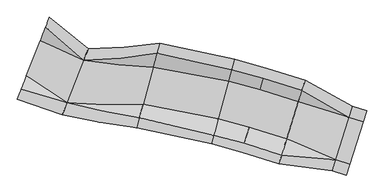
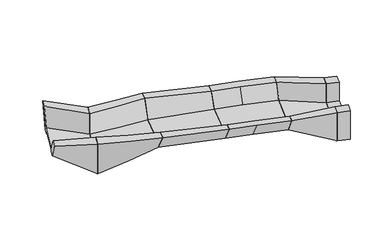
"""IFC4 building model written with IfcOpenShell, lengths in millimetres: geographic element geometry."""

from ifc_helpers import new_model, si_unit, frame, origin, place, context, project, spatial, faceted_brep, source, transform, mapped, element, save
from ifc_brep_helpers import plane_surface, spline_curve, spline_surface, advanced_brep


def geographic_element_1e2bfb6e(model_context):
    return source(origin(), model_context, "Body", "SolidModel", [
        advanced_brep(
        [(-621603.557136, 348837.0576512, 36776.4663834), (-622252.1435827, 347180.2869586, 34376.8880954), (-622551.1846194, 346416.406634, 34377.9203071), (-622615.1941493, 346252.8985716, 34726.4663832), (-623607.5720528, 343717.9355995, 34726.4663832), (-623671.5815828, 343554.427537, 34377.9203068), (-623970.6226195, 342790.5472123, 34376.8880951), (-624619.2090663, 341133.7765194, 36776.4663831), (-624259.5918903, 342052.3945399, 36776.466383), (-623767.465326, 343309.498929, 34976.4663832), (-622455.3008764, 346661.3352416, 34976.4663832), (-621963.1743121, 347918.4396305, 36776.4663833), (-617933.0673217, 345897.5242127, 36465.4647244), (-618370.4842842, 344780.171842, 36465.464725), (-618370.4842846, 344780.1718409, 33915.4647308), (-619937.8950661, 340776.3258474, 33915.4647308), (-619937.8950661, 340776.3258476, 36465.464726), (-620375.3120285, 339658.9734768, 36465.4647259), (-620375.3120286, 339658.9734767, 32715.464731), (-619828.5408255, 341055.6639401, 32715.4647308), (-619828.5408255, 341055.6639401, 33665.4647308), (-618479.8385252, 344500.8337481, 33665.4647308), (-618479.8385253, 344500.833748, 32715.46473), (-617933.0673222, 345897.5242114, 32715.4647295)],
        [
            (0, 1),
            (1, 2),
            (2, 3),
            (3, 4),
            (4, 5),
            (5, 6),
            (6, 7),
            (7, 8),
            (8, 9),
            (9, 10),
            (10, 11),
            (11, 0),
            (12, 13),
            (13, 14),
            (14, 15),
            (15, 16),
            (16, 17),
            (17, 18),
            (18, 19),
            (19, 20),
            (20, 21),
            (21, 22),
            (22, 23),
            (23, 12),
            (23, 1),
            (0, 12),
            (22, 2),
            (21, 3),
            (20, 4),
            (19, 5),
            (18, 6),
            (17, 7),
            (16, 8),
            (15, 9),
            (14, 10),
            (13, 11),
        ],
        [
            plane_surface(frame((-623111.3831011, 344985.4170854, 35335.1123225), z_axis=(-0.9311884362586751, 0.36453819577394625, 0.0), x_axis=(0.21872291749214823, 0.5587130618262496, -0.7999999999427878))),
            plane_surface(frame((-619154.1896753, 342778.2488443, 34323.7980622), z_axis=(0.9311884362586732, -0.36453819577395036, 0.0), x_axis=(-1.429693302273351e-10, -3.652190406909814e-10, -1.0))),
            spline_surface(1, 1, [[(-617933.0673217, 345897.5242127, 36465.4647244), (-621603.557136, 348837.0576512, 36776.4663834)], [(-617933.0673222, 345897.5242114, 32715.4647295), (-622252.1435827, 347180.2869586, 34376.8880954)]], [2, 2], [2, 2], [0.0, 1.0], [0.0, 1.0]),
            spline_surface(1, 1, [[(-617933.0673222, 345897.5242114, 32715.4647295), (-622252.1435827, 347180.2869586, 34376.8880954)], [(-618479.8385253, 344500.833748, 32715.46473), (-622551.1846194, 346416.406634, 34377.9203071)]], [2, 2], [2, 2], [0.0, 1.0], [0.0, 1.0]),
            spline_surface(1, 1, [[(-618479.8385253, 344500.833748, 32715.46473), (-622551.1846194, 346416.406634, 34377.9203071)], [(-618479.8385252, 344500.8337481, 33665.4647308), (-622615.1941493, 346252.8985716, 34726.4663832)]], [2, 2], [2, 2], [0.0, 1.0], [0.0, 1.0]),
            plane_surface(frame((-619154.1896754, 342778.2488441, 33665.4647308), z_axis=(-0.21416827039075917, 0.08384180026327728, -0.9731919155472075), x_axis=(-0.36453819577394336, -0.9311884362586759, 0.0))),
            spline_surface(1, 1, [[(-619828.5408255, 341055.6639401, 33665.4647308), (-623607.5720528, 343717.9355995, 34726.4663832)], [(-619828.5408255, 341055.6639401, 32715.4647308), (-623671.5815828, 343554.427537, 34377.9203068)]], [2, 2], [2, 2], [0.0, 1.0], [0.0, 1.0]),
            spline_surface(1, 1, [[(-619828.5408255, 341055.6639401, 32715.4647308), (-623671.5815828, 343554.427537, 34377.9203068)], [(-620375.3120286, 339658.9734767, 32715.464731), (-623970.6226195, 342790.5472123, 34376.8880951)]], [2, 2], [2, 2], [0.0, 1.0], [0.0, 1.0]),
            spline_surface(1, 1, [[(-620375.3120286, 339658.9734767, 32715.464731), (-623970.6226195, 342790.5472123, 34376.8880951)], [(-620375.3120285, 339658.9734768, 36465.4647259), (-624619.2090663, 341133.7765194, 36776.4663831)]], [2, 2], [2, 2], [0.0, 1.0], [0.0, 1.0]),
            spline_surface(1, 1, [[(-620375.3120285, 339658.9734768, 36465.4647259), (-624619.2090663, 341133.7765194, 36776.4663831)], [(-619937.8950661, 340776.3258476, 36465.464726), (-624259.5918903, 342052.3945399, 36776.466383)]], [2, 2], [2, 2], [0.0, 1.0], [0.0, 1.0]),
            spline_surface(1, 1, [[(-619937.8950661, 340776.3258476, 36465.464726), (-624259.5918903, 342052.3945399, 36776.466383)], [(-619937.8950661, 340776.3258474, 33915.4647308), (-623767.465326, 343309.498929, 34976.4663832)]], [2, 2], [2, 2], [0.0, 1.0], [0.0, 1.0]),
            plane_surface(frame((-619154.1896754, 342778.2488441, 33915.4647308), z_axis=(0.2141682703907662, -0.08384180026328003, 0.9731919155472061), x_axis=(0.3645381957739434, 0.931188436258676, 0.0))),
            spline_surface(1, 1, [[(-618370.4842846, 344780.1718409, 33915.4647308), (-622455.3008764, 346661.3352416, 34976.4663832)], [(-618370.4842842, 344780.171842, 36465.464725), (-621963.1743121, 347918.4396305, 36776.4663833)]], [2, 2], [2, 2], [0.0, 1.0], [0.0, 1.0]),
            spline_surface(1, 1, [[(-618370.4842842, 344780.171842, 36465.464725), (-621963.1743121, 347918.4396305, 36776.4663833)], [(-617933.0673217, 345897.5242127, 36465.4647244), (-621603.557136, 348837.0576512, 36776.4663834)]], [2, 2], [2, 2], [0.0, 1.0], [0.0, 1.0]),
        ],
        [
            (0, [[1, 2, 3, 4, 5, 6, 7, 8, 9, 10, 11, 12]]),
            (1, [[13, 14, 15, 16, 17, 18, 19, 20, 21, 22, 23, 24]]),
            (2, [[-24, 25, -1, 26]]),
            (3, [[-23, 27, -2, -25]]),
            (4, [[-22, 28, -3, -27]]),
            (5, [[-21, 29, -4, -28]]),
            (6, [[-20, 30, -5, -29]]),
            (7, [[-19, 31, -6, -30]]),
            (8, [[-18, 32, -7, -31]]),
            (9, [[-17, 33, -8, -32]]),
            (10, [[-16, 34, -9, -33]]),
            (11, [[-15, 35, -10, -34]]),
            (12, [[-14, 36, -11, -35]]),
            (13, [[-13, -26, -12, -36]]),
        ],
    ),
        advanced_brep(
        [(-617933.0145539, 345897.6590045, 36465.4647244), (-617933.0145545, 345897.6590031, 32715.4647295), (-618479.8093849, 344500.9081852, 32715.46473), (-618479.8093848, 344500.9081854, 33665.4647308), (-619828.5699659, 341055.5895028, 33665.4647308), (-619828.5699659, 341055.5895028, 32715.4647308), (-620375.3647964, 339658.8386849, 32715.464731), (-620375.3647963, 339658.8386851, 36465.4647259), (-619937.928932, 340776.2393394, 36465.464726), (-619937.928932, 340776.2393392, 33915.4647308), (-618370.4504187, 344780.258349, 33915.4647308), (-618370.4504183, 344780.2583501, 36465.464725), (-611186.7576767, 346389.4047206, 35586.6066732), (-611446.017678, 345437.7902349, 35586.6066733), (-611800.8081111, 344135.5310587, 33786.6066733), (-612746.9159327, 340662.8399233, 33786.6066733), (-613101.7063657, 339360.5807474, 35586.6066733), (-613360.966367, 338408.9662617, 35586.6066733), (-612893.3787929, 340125.247627, 33187.0283854), (-612677.7901484, 340916.5662882, 33188.0605972), (-612631.6435461, 341085.9475079, 33536.6066733), (-611916.0804977, 343712.4234743, 33536.6066733), (-611869.9338953, 343881.8046942, 33188.0605972), (-611654.3452509, 344673.1233551, 33187.0283853)],
        [
            (0, 1),
            (1, 2),
            (2, 3),
            (3, 4),
            (4, 5),
            (5, 6),
            (6, 7),
            (7, 8),
            (8, 9),
            (9, 10),
            (10, 11),
            (11, 0),
            (12, 13),
            (13, 14),
            (14, 15),
            (15, 16),
            (16, 17),
            (17, 18),
            (18, 19),
            (19, 20),
            (20, 21),
            (21, 22),
            (22, 23),
            (23, 12),
            (23, 1, spline_curve(3, [(-611654.3452509, 344673.1233551, 33187.0283853), (-612703.769336913, 344818.925503298, 33108.43444251), (-613752.78298775, 344993.798399678, 33029.84050019), (-615846.75539805, 345401.926703122, 32872.65261461), (-616891.714157371, 345635.182110393, 32794.05867229), (-617933.0145545, 345897.6590031, 32715.4647295)], [4, 2, 4], [0.0, 10.709614098386908, 21.419228196773872])),
            (0, 12, spline_curve(3, [(-617933.0145539, 345897.6590045, 36465.4647244), (-616783.638505914, 345911.254133129, 36318.988382434), (-615645.401780274, 345959.863580131, 36172.512040766), (-613395.314066526, 346124.641330669, 35879.559356834), (-612283.463078597, 346240.809633918, 35733.083015166), (-611186.7576767, 346389.4047206, 35586.6066732)], [4, 2, 4], [0.0, 10.709614098386965, 21.419228196773872])),
            (22, 2, spline_curve(3, [(-611869.9338953, 343881.8046942, 33188.0605972), (-612963.272046332, 343922.140442071, 33109.294619511), (-614061.956028955, 343993.521975721, 33030.528641289), (-616266.451428245, 344199.537191679, 32872.996685911), (-617372.262844413, 344334.170873486, 32794.230707689), (-618479.8093849, 344500.9081852, 32715.46473)], [4, 2, 4], [0.0, 10.711733076231553, 21.423466152463163])),
            (21, 3, spline_curve(3, [(-611916.0804977, 343712.4234743, 33536.6066733), (-613004.752416534, 343781.813527679, 33558.083016045), (-614097.234930734, 343881.918156814, 33579.559359355), (-616286.323182466, 344144.473942386, 33622.512044845), (-617382.928919376, 344306.925098865, 33643.988388055), (-618479.8093848, 344500.9081854, 33665.4647308)], [4, 2, 4], [0.0, 10.875277812437446, 21.75055562487495])),
            (20, 4, spline_curve(3, [(-612631.6435461, 341085.9475079, 33536.6066733), (-613810.053669514, 341010.895174434, 33558.083016197), (-615000.359137689, 340970.110140635, 33579.559359203), (-617400.712168911, 340959.291759165, 33622.512044997), (-618610.759731957, 340989.258411207, 33643.988387903), (-619828.5699659, 341055.5895028, 33665.4647308)], [4, 2, 4], [0.0, 11.3103019410471, 22.620603882094258])),
            (19, 5, spline_curve(3, [(-612677.7901484, 340916.5662882, 33188.0605972), (-613851.534040068, 340870.568259898, 33109.294619378), (-615035.638039656, 340858.506321526, 33030.528641822), (-617420.583922944, 340904.228510074, 32872.996686178), (-618621.425806754, 340962.012636382, 32794.230708622), (-619828.5699659, 341055.5895028, 32715.4647308)], [4, 2, 4], [0.0, 11.776850732574417, 23.553701465148833])),
            (18, 6, spline_curve(3, [(-612893.3787929, 340125.247627, 33187.0283854), (-614111.036749527, 339973.783198493, 33108.434443161), (-615344.811081014, 339858.229897854, 33029.840500439), (-617840.279953186, 339701.838998146, 32872.652615961), (-619101.974493921, 339661.00139938, 32794.058673239), (-620375.3647964, 339658.8386849, 32715.464731)], [4, 2, 4], [0.0, 12.035214910796412, 24.07042982159294])),
            (17, 7, spline_curve(3, [(-613360.966367, 338408.9662617, 35586.6066733), (-614531.343007452, 338551.899068074, 35733.083015283), (-615702.280001901, 338727.38696728, 35879.559357617), (-618041.633570699, 339143.90212252, 36172.512041583), (-619210.050145284, 339384.929378412, 36318.988383917), (-620375.3647963, 339658.8386851, 36465.4647259)], [4, 2, 4], [0.0, 11.916993883005944, 23.833987766011944])),
            (16, 8, spline_curve(3, [(-613101.7063657, 339360.5807474, 35586.6066733), (-614245.727655032, 339533.243504846, 35733.083015276), (-615388.591643246, 339737.504240076, 35879.559357724), (-617668.503434354, 340209.372581524, 36172.512041676), (-618805.551237926, 340476.980187511, 36318.988384024), (-619937.928932, 340776.2393394, 36465.464726)], [4, 2, 4], [0.0, 11.663363882324404, 23.326727764648865])),
            (15, 9, spline_curve(3, [(-612746.9159327, 340662.8399233, 33786.6066733), (-613926.812766003, 340612.123514483, 33808.083016405), (-615117.355707234, 340595.551534968, 33829.559358995), (-617515.722776765, 340632.717162632, 33872.512045205), (-618723.546905103, 340686.454770337, 33893.988387695), (-619937.928932, 340776.2393392, 33915.4647308)], [4, 2, 4], [0.0, 11.607377646304144, 23.214755292608345])),
            (14, 10, spline_curve(3, [(-611800.8081111, 344135.5310587, 33786.6066733), (-612887.993320281, 344180.585187284, 33808.083016197), (-613980.238361265, 344256.47676265, 33829.559359203), (-616171.312574735, 344471.04853855, 33872.512044997), (-617270.141746288, 344609.728739562, 33893.988387903), (-618370.4504187, 344780.258349, 33915.4647308)], [4, 2, 4], [0.0, 11.31030194101163, 22.620603882023374])),
            (13, 11, spline_curve(3, [(-611446.017678, 345437.7902349, 35586.6066733), (-612569.078430744, 345259.465197321, 35733.083015169), (-613709.002425254, 345114.524058088, 35879.559357331), (-616018.531916546, 344894.393120912, 36172.512041069), (-617188.137413365, 344819.203323526, 36318.988383131), (-618370.4504183, 344780.2583501, 36465.464725)], [4, 2, 4], [0.0, 11.103539608377275, 22.207079216754664])),
        ],
        [
            plane_surface(frame((-619154.1896753, 342778.2488443, 34323.7980622), z_axis=(-0.931188436258674, 0.36453819577394825, 0.0), x_axis=(-3.1021509985648306e-11, -7.9280617349966e-11, -1.0))),
            plane_surface(frame((-612273.8620219, 342399.1854911, 34145.2526126), z_axis=(0.9648335923807332, -0.2628614445172387, 0.0), x_axis=(-0.15654028225688893, -0.5745814992366098, -0.803337563397818))),
            spline_surface(3, 3, [[(-611186.7576767, 346389.4047206, 35586.6066732), (-612283.463078422, 346240.809634027, 35733.083015067), (-613395.314066559, 346124.641330661, 35879.559356933), (-615645.401780241, 345959.863580139, 36172.512040667), (-616783.638505787, 345911.254133001, 36318.988382533), (-617933.0145539, 345897.6590045, 36465.4647244)], [(-611264.688939059, 346103.357826357, 35186.676958539), (-612353.514121475, 346003.828945566, 35295.641586324), (-613454.892225248, 345936.167492658, 35404.606214107), (-615678.96071139, 345866.874116803, 35622.535469676), (-616801.65111438, 345865.242129245, 35731.500097459), (-617933.014553989, 345897.659004272, 35840.464725244)], [(-611342.620201441, 345817.310932143, 34786.747243861), (-612423.56516455, 345766.848257134, 34858.200157563), (-613514.470368415, 345747.693703135, 34929.653071306), (-615712.519657947, 345773.884605005, 35072.558898711), (-616819.663723004, 345819.230125474, 35144.011812454), (-617933.014554111, 345897.659004028, 35215.464726156)], [(-611498.482726159, 345245.217143657, 33986.887814539), (-612563.667250656, 345292.886880211, 33983.317300076), (-613633.626685792, 345370.746027128, 33979.746785654), (-615779.637520245, 345587.905678332, 33972.605756729), (-616855.688940191, 345727.206117963, 33969.035242307), (-617933.014554289, 345897.659003572, 33965.464727844)], [(-611576.413988541, 344959.170249343, 33586.958099961), (-612633.718293732, 345055.90619168, 33545.875871416), (-613693.204829059, 345182.272237606, 33504.793642854), (-615813.196466903, 345494.916166534, 33422.629185763), (-616873.701548815, 345681.194114192, 33381.546957201), (-617933.014554411, 345897.659003328, 33340.464728656)], [(-611654.3452509, 344673.1233551, 33187.0283853), (-612703.769336784, 344818.925503218, 33108.434442672), (-613752.782987748, 344993.798399602, 33029.840500028), (-615846.755398052, 345401.926703198, 32872.652614772), (-616891.714157409, 345635.182110436, 32794.058672128), (-617933.0145545, 345897.6590031, 32715.4647295)]], [4, 2, 4], [4, 2, 4], [0.0, 5.25072601961788, 10.50145203923576], [0.0, 10.709614098386908, 21.419228196773872]),
            spline_surface(3, 3, [[(-611654.3452509, 344673.1233551, 33187.0283853), (-612703.769336784, 344818.925503218, 33108.434442672), (-613752.782987748, 344993.798399602, 33029.840500028), (-615846.755398052, 345401.926703198, 32872.652614772), (-616891.714157409, 345635.182110436, 32794.058672128), (-617933.0145545, 345897.6590031, 32715.4647295)], [(-611690.276691641, 344541.236911606, 33187.200420622), (-612747.019788358, 344669.461326357, 33108.577805455), (-613804.311825708, 344827.085668385, 33029.955190272), (-615916.704738674, 345201.528445184, 32872.709959938), (-616971.805605265, 345418.346904296, 32794.087344754), (-618024.147026239, 345664.867200115, 32715.464729587)], [(-611726.208132359, 344409.350468094, 33187.372455878), (-612790.27023991, 344519.99714948, 33108.721168171), (-613855.840670377, 344660.372918879, 33030.069880501), (-615986.654072441, 345001.130205352, 32872.767305089), (-617051.897053103, 345201.511698111, 32794.116017419), (-618115.279497961, 345432.075397085, 32715.464729713)], [(-611798.071013841, 344145.577581106, 33187.716526522), (-612876.771143058, 344221.068795758, 33109.007893738), (-613958.898346296, 344326.947456444, 33030.299260989), (-616126.552753686, 344600.333689325, 32872.88199542), (-617212.079948816, 344767.841285831, 32794.173362672), (-618297.544441439, 344966.491791115, 32715.464729887)], [(-611834.002454559, 344013.691137694, 33187.888561878), (-612920.02159461, 344071.604618981, 33109.151256554), (-614010.427191066, 344160.234707038, 33030.413951219), (-616196.502087552, 344399.935449593, 32872.939340571), (-617292.171396654, 344551.006079746, 32794.202035236), (-618388.676913161, 344733.699988185, 32715.464729913)], [(-611869.9338953, 343881.8046942, 33188.0605972), (-612963.272046184, 343922.14044212, 33109.294619337), (-614061.956029025, 343993.521975821, 33030.528641463), (-616266.451428175, 344199.537191579, 32872.996685737), (-617372.26284451, 344334.170873606, 32794.230707863), (-618479.8093849, 344500.9081852, 32715.46473)]], [4, 2, 4], [4, 2, 4], [0.0, 1.902991149449395, 3.80598229889879], [0.0, 10.711733076231553, 21.423466152463163]),
            spline_surface(3, 3, [[(-611869.9338953, 343881.8046942, 33188.0605972), (-612963.272046184, 343922.14044212, 33109.294619337), (-614061.956029025, 343993.521975821, 33030.528641463), (-616266.451428175, 344199.537191579, 32872.996685737), (-617372.26284451, 344334.170873606, 32794.230707863), (-618479.8093849, 344500.9081852, 32715.46473)], [(-611877.624995692, 343853.574490891, 33246.151609883), (-612970.185441248, 343898.752623033, 33184.092685485), (-614067.835846512, 343974.921337719, 33122.033761075), (-616269.763386684, 344190.359984982, 32997.915912279), (-617374.040523654, 344329.62991115, 32935.856987869), (-618479.809384888, 344500.908185232, 32873.798063471)], [(-611885.316096108, 343825.344287509, 33304.242622517), (-612977.098836335, 343875.364803873, 33258.890751583), (-614073.715662478, 343956.32070435, 33213.538880656), (-616273.075346725, 344181.182773549, 33122.835138789), (-617375.818202834, 344325.088948698, 33077.483267863), (-618479.809384912, 344500.908185268, 33032.131396929)], [(-611900.698296892, 343768.883880891, 33420.424647883), (-612990.925626462, 343828.5891657, 33408.486883879), (-614085.475297453, 343919.119428147, 33396.549119882), (-616279.699263744, 344162.828360354, 33372.673591873), (-617379.373561121, 344316.007023784, 33360.735827875), (-618479.809384888, 344500.908185332, 33348.798063871)], [(-611908.389397308, 343740.653677609, 33478.515660617), (-612997.839021549, 343805.20134664, 33483.284950077), (-614091.355113418, 343900.518794877, 33488.054239563), (-616283.011223785, 344153.651149022, 33497.592818483), (-617381.151240202, 344311.466061332, 33502.362107869), (-618479.809384812, 344500.908185368, 33507.131397329)], [(-611916.0804977, 343712.4234743, 33536.6066733), (-613004.752416613, 343781.813527553, 33558.083016225), (-614097.234930906, 343881.918156776, 33579.559359175), (-616286.323182294, 344144.473942424, 33622.512045025), (-617382.928919345, 344306.925098875, 33643.988387875), (-618479.8093848, 344500.9081854, 33665.4647308)]], [4, 2, 4], [4, 2, 4], [0.0, 1.074769743675189, 2.149539487350378], [0.0, 10.875277812437446, 21.75055562487495]),
            spline_surface(3, 3, [[(-611916.0804977, 343712.4234743, 33536.6066733), (-613004.752416613, 343781.813527553, 33558.083016225), (-614097.234930906, 343881.918156776, 33579.559359175), (-616286.323182294, 344144.473942424, 33622.512045025), (-617382.928919345, 344306.925098875, 33643.988387875), (-618479.8093848, 344500.9081854, 33665.4647308)], [(-612035.341005761, 343274.677479893, 33536.6066733), (-613138.969292101, 343319.993801998, 33558.083016225), (-614247.75562849, 343396.616829412, 33579.559359175), (-616472.054683621, 343613.610236577, 33622.512045025), (-617587.567388115, 343753.980650927, 33643.988387875), (-618704.602814984, 343926.688404973, 33665.4647308)], [(-612154.601513839, 342836.931485507, 33536.6066733), (-613273.186167607, 342858.174076466, 33558.083016225), (-614398.276336761, 342911.315476135, 33579.559359175), (-616657.786174329, 343082.746556676, 33622.512045025), (-617792.205856932, 343201.036202959, 33643.988387875), (-618929.396245216, 343352.468624527, 33665.4647308)], [(-612393.122529961, 341961.439496693, 33536.6066733), (-613541.619918583, 341934.534625357, 33558.083016225), (-614699.317731929, 341940.712821407, 33579.559359175), (-617029.249176982, 342021.019144982, 33622.512045025), (-618201.482794472, 342095.147307063, 33643.988387875), (-619378.983105584, 342204.029063673, 33665.4647308)], [(-612512.383038039, 341523.693502307, 33536.6066733), (-613675.836794088, 341472.714899825, 33558.083016225), (-614849.838440099, 341455.41146803, 33579.559359175), (-617214.98066759, 341490.155464981, 33622.512045025), (-618406.121263189, 341542.202859094, 33643.988387875), (-619603.776535716, 341629.809283227, 33665.4647308)], [(-612631.6435461, 341085.9475079, 33536.6066733), (-613810.053669577, 341010.89517427, 33558.083016225), (-615000.359137684, 340970.110140666, 33579.559359175), (-617400.712168916, 340959.291759134, 33622.512045025), (-618610.759731959, 340989.258411146, 33643.988387875), (-619828.5699659, 341055.5895028, 33665.4647308)]], [4, 2, 4], [4, 2, 4], [0.0, 5.267488388890219, 10.534976777780438], [0.0, 11.3103019410471, 22.620603882094258]),
            spline_surface(3, 3, [[(-612631.6435461, 341085.9475079, 33536.6066733), (-613810.053669577, 341010.89517427, 33558.083016225), (-615000.359137684, 340970.110140666, 33579.559359175), (-617400.712168916, 340959.291759134, 33622.512045025), (-618610.759731959, 340989.258411146, 33643.988387875), (-619828.5699659, 341055.5895028, 33665.4647308)], [(-612639.334646484, 341057.71730462, 33478.515660617), (-613816.967064635, 340987.507355202, 33483.2849501), (-615006.238955168, 340951.509502573, 33488.054239608), (-617404.02412743, 340950.114552524, 33497.592818574), (-618612.53741111, 340984.717448667, 33502.362107982), (-619828.5699659, 341055.5895028, 33507.131397465)], [(-612647.025746816, 341029.48710128, 33420.424647883), (-613823.88045964, 340964.119536073, 33408.486883924), (-615012.118771129, 340932.908869317, 33396.549119968), (-617407.336087473, 340940.937341185, 33372.67359205), (-618614.315090261, 340980.176486189, 33360.735828094), (-619828.5699659, 341055.5895028, 33348.798064135)], [(-612662.407947584, 340973.02669472, 33304.242622517), (-613837.707249756, 340917.343897938, 33258.890751674), (-615023.878406098, 340895.707593131, 33213.538880834), (-617413.9600045, 340922.582927966, 33122.835139148), (-618617.870448564, 340971.094561231, 33077.483268308), (-619828.5699659, 341055.5895028, 33032.131397465)], [(-612670.099048016, 340944.79649148, 33246.151609883), (-613844.620644861, 340893.956078908, 33184.092685598), (-615029.758222059, 340877.106959776, 33122.033761294), (-617417.271964543, 340913.405716527, 32997.915912724), (-618619.648127715, 340966.553598752, 32935.85698842), (-619828.5699659, 341055.5895028, 32873.798064135)], [(-612677.7901484, 340916.5662882, 33188.0605972), (-613851.534039919, 340870.56825984, 33109.294619473), (-615035.638039544, 340858.506321682, 33030.528641727), (-617420.583923056, 340904.228509918, 32872.996686273), (-618621.425806866, 340962.012636274, 32794.230708527), (-619828.5699659, 341055.5895028, 32715.4647308)]], [4, 2, 4], [4, 2, 4], [0.0, 1.074769743015559, 2.149539486031118], [0.0, 11.776850732574417, 23.553701465148833]),
            spline_surface(3, 3, [[(-612677.7901484, 340916.5662882, 33188.0605972), (-613851.534039919, 340870.56825984, 33109.294619473), (-615035.638039544, 340858.506321682, 33030.528641727), (-617420.583923056, 340904.228509918, 32872.996686273), (-618621.425806866, 340962.012636274, 32794.230708527), (-619828.5699659, 341055.5895028, 32715.4647308)], [(-612713.72158915, 340784.679844669, 33187.888561897), (-613894.784491502, 340721.10408295, 33109.151256725), (-615087.16687751, 340691.793590441, 33030.413951535), (-617490.533263683, 340703.830251892, 32872.939341191), (-618701.517254725, 340745.177430128, 32794.202036001), (-619919.702437639, 340822.797699815, 32715.464730829)], [(-612749.65302985, 340652.793401131, 33187.716526603), (-613938.034943033, 340571.63990605, 33109.007893987), (-615138.69572227, 340525.080840964, 33030.299261353), (-617560.482597537, 340503.432012102, 32872.881996121), (-618781.608702666, 340528.342224037, 32794.173363487), (-620010.834909461, 340590.005896885, 32715.464730871)], [(-612821.51591135, 340389.020514069, 33187.372455997), (-614024.535846199, 340272.711552269, 33108.721168491), (-615241.753398204, 340191.655378483, 33030.069880969), (-617700.38127879, 340102.635496051, 32872.767305957), (-618941.791598382, 340094.671811746, 32794.116018435), (-620193.099852939, 340124.422290915, 32715.464730929)], [(-612857.44735215, 340257.134070531, 33187.200420703), (-614067.786297831, 340123.24737537, 33108.577805753), (-615293.282242963, 340024.942629006, 33029.955190787), (-617770.330612643, 339902.237256261, 32872.709960887), (-619021.883046223, 339877.836605555, 32794.087345921), (-620284.232324661, 339891.630487885, 32715.464730971)], [(-612893.3787929, 340125.247627, 33187.0283854), (-614111.036749413, 339973.783198479, 33108.434443005), (-615344.81108093, 339858.229897765, 33029.840500595), (-617840.27995327, 339701.838998235, 32872.652615805), (-619101.974494082, 339661.001399409, 32794.058673395), (-620375.3647964, 339658.8386849, 32715.464731)]], [4, 2, 4], [4, 2, 4], [0.0, 1.9029911496333818, 3.8059822992667636], [0.0, 12.035214910796412, 24.07042982159294]),
            spline_surface(3, 3, [[(-612893.3787929, 340125.247627, 33187.0283854), (-614111.036749413, 339973.783198479, 33108.434443005), (-615344.81108093, 339858.229897765, 33029.840500595), (-617840.27995327, 339701.838998235, 32872.652615805), (-619101.974494082, 339661.001399409, 32794.058673395), (-620375.3647964, 339658.8386849, 32715.464731)], [(-612971.310055251, 339839.200732787, 33586.958100061), (-614181.087792447, 339736.802510086, 33545.875871748), (-615404.389239586, 339669.756059869, 33504.793643421), (-617873.838884356, 339608.849535082, 33422.629186796), (-619119.987102594, 339614.989395873, 33381.546958468), (-620375.364796389, 339658.838684927, 33340.464730156)], [(-613049.241317549, 339553.153838613, 33986.887814739), (-614251.138835428, 339499.821821734, 33983.317300509), (-615463.967382765, 339481.282270518, 33979.746786221), (-617907.397830893, 339515.860023531, 33972.605757762), (-619137.999711038, 339568.977392355, 33969.035243574), (-620375.364796311, 339658.838684973, 33965.464729344)], [(-613205.103842251, 338981.060050187, 34786.747244061), (-614391.240921494, 339025.860444949, 34858.200157996), (-615583.123700077, 339104.334594726, 34929.653071873), (-617974.515693065, 339329.881097224, 35072.558899744), (-619174.024928063, 339476.953385283, 35144.011813721), (-620375.364796289, 339658.838685027, 35215.464727656)], [(-613283.035104649, 338695.013155913, 35186.676958639), (-614461.291964575, 338788.879756496, 35295.641586657), (-615642.701843256, 338915.860805276, 35404.606214674), (-618008.074639603, 339236.891585574, 35622.535470709), (-619192.037536607, 339430.941381765, 35731.500098726), (-620375.364796311, 339658.838685073, 35840.464726744)], [(-613360.966367, 338408.9662617, 35586.6066733), (-614531.343007608, 338551.899068104, 35733.0830154), (-615702.280001912, 338727.38696738, 35879.5593575), (-618041.633570689, 339143.90212242, 36172.5120417), (-619210.05014512, 339384.929378229, 36318.9883838), (-620375.3647963, 339658.8386851, 36465.4647259)]], [4, 2, 4], [4, 2, 4], [0.0, 5.250726019200047, 10.501452038400094], [0.0, 11.916993883005944, 23.833987766011944]),
            spline_surface(3, 3, [[(-613360.966367, 338408.9662617, 35586.6066733), (-614531.343007608, 338551.899068104, 35733.0830154), (-615702.280001912, 338727.38696738, 35879.5593575), (-618041.633570689, 339143.90212242, 36172.5120417), (-619210.05014512, 339384.929378229, 36318.9883838), (-620375.3647963, 339658.8386851, 36465.4647259)], [(-613317.756366797, 338567.568675983, 35586.6066733), (-614483.740448875, 338715.456474246, 35733.083015402), (-615649.998609634, 338895.739844302, 35879.559357503), (-617979.445213791, 339321.480534123, 36172.512041707), (-619142.633660556, 339566.937846478, 36318.988383808), (-620302.458818907, 339845.072127492, 36465.46472591)], [(-613274.546366603, 338726.171090317, 35586.6066733), (-614436.137890151, 338879.013880439, 35733.083015404), (-615597.717214863, 339064.092726778, 35879.559357592), (-617917.256859512, 339499.058940198, 36172.512041799), (-619075.21717597, 339748.946314653, 36318.988383887), (-620229.552841493, 340031.305569808, 36465.46472599)], [(-613188.126366197, 339043.375918883, 35586.6066733), (-614340.932772686, 339206.128692723, 35733.083015407), (-615493.154430308, 339400.798480621, 35879.559357598), (-617792.880145718, 339854.215763603, 36172.512041812), (-618940.384206841, 340112.963251152, 36318.988383903), (-620083.740886707, 340403.772454592, 36465.46472601)], [(-613144.916365903, 339201.978333117, 35586.6066733), (-614293.330213861, 339369.686098816, 35733.083015408), (-615440.873035436, 339569.151363197, 35879.559357587), (-617730.691791338, 340031.794169778, 36172.512041804), (-618872.967722355, 340294.971719427, 36318.988383882), (-620010.834909393, 340590.005897008, 36465.46472599)], [(-613101.7063657, 339360.5807474, 35586.6066733), (-614245.727655128, 339533.243504959, 35733.08301541), (-615388.591643159, 339737.504240119, 35879.55935759), (-617668.503434441, 340209.372581481, 36172.51204181), (-618805.551237791, 340476.980187676, 36318.98838389), (-619937.928932, 340776.2393394, 36465.464726)]], [4, 2, 4], [4, 2, 4], [0.0, 1.7932018782659305, 3.586403756531861], [0.0, 11.663363882324404, 23.326727764648865]),
            spline_surface(3, 3, [[(-613101.7063657, 339360.5807474, 35586.6066733), (-614245.727655128, 339533.243504959, 35733.08301541), (-615388.591643159, 339737.504240119, 35879.55935759), (-617668.503434441, 340209.372581481, 36172.51204181), (-618805.551237791, 340476.980187676, 36318.98838389), (-619937.928932, 340776.2393394, 36465.464726)], [(-613042.574626851, 339577.623943379, 35286.606673292), (-614192.575173598, 339713.056839883, 35412.249682205), (-615343.385649923, 339880.512134844, 35537.892691187), (-617643.039995393, 340279.929999446, 35789.178709012), (-618791.88384899, 340511.89261812, 35914.821717895), (-619937.928932013, 340776.239339366, 36040.464726807)], [(-612983.442888049, 339794.667139421, 34986.606673308), (-614139.422692116, 339892.870174871, 35091.416349023), (-615298.179668447, 340023.519992755, 35196.226024785), (-617617.576544636, 340350.487454155, 35405.845376215), (-618778.216460151, 340546.805048564, 35510.655051878), (-619937.928931987, 340776.239339334, 35615.464727593)], [(-612865.179410351, 340228.753531379, 34386.606673292), (-614033.117729056, 340252.496844721, 34449.749682612), (-615207.767681976, 340309.535782205, 34512.89269198), (-617566.649666541, 340491.602290086, 34639.17871062), (-618750.88168255, 340616.629909451, 34702.321719887), (-619937.928932013, 340776.239339266, 34765.464729207)], [(-612806.047671549, 340445.796727321, 34086.606673308), (-613979.965247574, 340432.310179609, 34128.91634943), (-615162.5617005, 340452.543640116, 34171.226025578), (-617541.186215784, 340562.159744794, 34255.845377823), (-618737.214293711, 340651.542339895, 34298.15505387), (-619937.928931987, 340776.239339234, 34340.464729993)], [(-612746.9159327, 340662.8399233, 33786.6066733), (-613926.812766044, 340612.123514533, 33808.083016225), (-615117.355707264, 340595.551534841, 33829.559359175), (-617515.722776736, 340632.717162759, 33872.512045025), (-618723.546904911, 340686.454770338, 33893.988387875), (-619937.928932, 340776.2393392, 33915.4647308)]], [4, 2, 4], [4, 2, 4], [0.0, 3.7357170020788772, 7.4714340041577545], [0.0, 11.607377646304144, 23.214755292608345]),
            spline_surface(3, 3, [[(-612746.9159327, 340662.8399233, 33786.6066733), (-613926.812766044, 340612.123514533, 33808.083016225), (-615117.355707264, 340595.551534841, 33829.559359175), (-617515.722776736, 340632.717162759, 33872.512045025), (-618723.546904911, 340686.454770338, 33893.988387875), (-619937.928932, 340776.2393392, 33915.4647308)], [(-612589.231295781, 341241.6217792, 33786.6066733), (-613753.67619174, 341206.867126632, 33808.083016225), (-614927.836152498, 341205.705733353, 33829.559359175), (-617291.65440685, 341272.439064838, 33872.512045025), (-618481.312711827, 341340.333765218, 33893.988387875), (-619676.682513117, 341443.575840828, 33915.4647308)], [(-612431.54665882, 341820.4036351, 33786.6066733), (-613580.539617395, 341801.61073873, 33808.083016225), (-614738.316589116, 341815.859950143, 33829.559359175), (-617067.586045537, 341912.160948666, 33872.512045025), (-618239.078518791, 341994.212760115, 33893.988387875), (-619415.436094283, 342110.912342472, 33915.4647308)], [(-612116.17738498, 342977.9673469, 33786.6066733), (-613234.266468789, 342991.097962927, 33808.083016225), (-614359.277479583, 343036.168347167, 33829.559359175), (-616619.449305765, 343191.604752824, 33872.512045025), (-617754.610132625, 343301.970749875, 33893.988387875), (-618892.943256518, 343445.585345728, 33915.4647308)], [(-611958.49274802, 343556.7492028, 33786.6066733), (-613061.129894444, 343585.841575024, 33808.083016225), (-614169.7579162, 343646.322563957, 33829.559359175), (-616395.380944452, 343831.326636652, 33872.512045025), (-617512.375939489, 343955.849744772, 33893.988387875), (-618631.696837583, 344112.921847372, 33915.4647308)], [(-611800.8081111, 344135.5310587, 33786.6066733), (-612887.99332014, 344180.585187123, 33808.083016225), (-613980.238361434, 344256.476762469, 33829.559359175), (-616171.312574566, 344471.048538731, 33872.512045025), (-617270.141746405, 344609.728739652, 33893.988387875), (-618370.4504187, 344780.258349, 33915.4647308)]], [4, 2, 4], [4, 2, 4], [0.0, 6.478975001342093, 12.957950002684186], [0.0, 11.31030194101163, 22.620603882023374]),
            spline_surface(3, 3, [[(-611800.8081111, 344135.5310587, 33786.6066733), (-612887.99332014, 344180.585187123, 33808.083016225), (-613980.238361434, 344256.476762469, 33829.559359175), (-616171.312574566, 344471.048538731, 33872.512045025), (-617270.141746405, 344609.728739652, 33893.988387875), (-618370.4504187, 344780.258349, 33915.4647308)], [(-611741.676372237, 344352.574254728, 34086.606673298), (-612834.840838588, 344360.398522127, 34128.916349395), (-613935.032368165, 344399.484657302, 34171.226025517), (-616145.849135461, 344541.605956863, 34255.84537771), (-617256.474357534, 344644.64117029, 34298.155053731), (-618370.450418626, 344780.258349188, 34340.464729828)], [(-611682.544633363, 344569.617450772, 34386.606673302), (-612781.688357023, 344540.211857146, 34449.74968257), (-613889.826386592, 344542.49251531, 34512.892691819), (-616120.385684582, 344612.163411725, 34639.178710355), (-617242.806968683, 344679.553600963, 34702.321719604), (-618370.450418574, 344780.258349412, 34765.464728872)], [(-611564.281155637, 345003.703842828, 34986.606673298), (-612675.383393918, 344899.838527154, 35091.41634891), (-613799.414400055, 344828.508304977, 35196.226024502), (-616069.458806371, 344753.278247988, 35405.845375724), (-617215.47219094, 344749.378462238, 35510.655051317), (-618370.450418426, 344780.258349788, 35615.464726928)], [(-611505.149416863, 345220.747038872, 35286.606673302), (-612622.230912454, 345079.651862173, 35412.249682085), (-613754.208418581, 344971.516163085, 35537.892690904), (-616043.995355593, 344823.83570295, 35789.17870847), (-617201.804802089, 344784.290892812, 35914.821717189), (-618370.450418374, 344780.258349912, 36040.464725972)], [(-611446.017678, 345437.7902349, 35586.6066733), (-612569.078430901, 345259.465197177, 35733.083015255), (-613709.002425313, 345114.524057918, 35879.559357245), (-616018.531916487, 344894.393121082, 36172.512041155), (-617188.137413217, 344819.203323449, 36318.988383045), (-618370.4504183, 344780.2583501, 36465.464725)]], [4, 2, 4], [4, 2, 4], [0.0, 3.735717001680206, 7.471434003360412], [0.0, 11.103539608377275, 22.207079216754664]),
            spline_surface(3, 3, [[(-611446.017678, 345437.7902349, 35586.6066733), (-612569.078430901, 345259.465197177, 35733.083015255), (-613709.002425313, 345114.524057918, 35879.559357245), (-616018.531916487, 344894.393121082, 36172.512041155), (-617188.137413217, 344819.203323449, 36318.988383045), (-618370.4504183, 344780.2583501, 36465.464725)], [(-611402.807677796, 345596.392649187, 35586.60667329), (-612521.475872168, 345423.022603322, 35733.08301523), (-613656.721033034, 345282.876934842, 35879.559357206), (-615956.34355959, 345071.971532786, 36172.512041087), (-617120.720928653, 345001.2117917, 36318.988382963), (-618297.544440907, 344966.491792492, 36465.464724903)], [(-611359.597677504, 345754.995063413, 35586.60667331), (-612473.873313345, 345586.580009406, 35733.083015235), (-613604.439638164, 345451.229817315, 35879.559357128), (-615894.155205212, 345249.549938856, 36172.512040979), (-617053.304444066, 345183.220259975, 36318.988382871), (-618224.638463493, 345152.725234908, 36465.464724797)], [(-611273.177677096, 346072.199891987, 35586.60667329), (-612378.668195878, 345913.694821698, 35733.083015187), (-613499.876853607, 345787.935571164, 35879.55935705), (-615769.778491416, 345604.706762265, 36172.512040843), (-616918.471474937, 345547.237196476, 36318.988382706), (-618078.826508707, 345525.192119692, 36465.464724603)], [(-611229.967676904, 346230.802306313, 35586.60667321), (-612331.065637156, 346077.252227882, 35733.083015092), (-613447.595458837, 345956.288453737, 35879.559356971), (-615707.590137139, 345782.285168435, 36172.512040735), (-616851.054990351, 345729.245664751, 36318.988382615), (-618005.920531293, 345711.425562108, 36465.464724497)], [(-611186.7576767, 346389.4047206, 35586.6066732), (-612283.463078422, 346240.809634027, 35733.083015067), (-613395.314066559, 346124.641330661, 35879.559356933), (-615645.401780241, 345959.863580139, 36172.512040667), (-616783.638505787, 345911.254133001, 36318.988382533), (-617933.0145539, 345897.6590045, 36465.4647244)]], [4, 2, 4], [4, 2, 4], [0.0, 1.7932018782870331, 3.5864037565740663], [0.0, 11.34966215709619, 22.699324314192438]),
        ],
        [
            (0, [[1, 2, 3, 4, 5, 6, 7, 8, 9, 10, 11, 12]]),
            (1, [[13, 14, 15, 16, 17, 18, 19, 20, 21, 22, 23, 24]]),
            (2, [[-24, 25, -1, 26]]),
            (3, [[-23, 27, -2, -25]]),
            (4, [[-22, 28, -3, -27]]),
            (5, [[-21, 29, -4, -28]]),
            (6, [[-20, 30, -5, -29]]),
            (7, [[-19, 31, -6, -30]]),
            (8, [[-18, 32, -7, -31]]),
            (9, [[-17, 33, -8, -32]]),
            (10, [[-16, 34, -9, -33]]),
            (11, [[-15, 35, -10, -34]]),
            (12, [[-14, 36, -11, -35]]),
            (13, [[-13, -26, -12, -36]]),
        ],
    ),
        advanced_brep(
        [(-611446.0112949, 345437.8136639, 35586.6066733), (-611186.7504543, 346389.4312304, 35586.6066732), (-611654.3395423, 344673.1443085, 33187.0283853), (-611869.9288847, 343881.8230857, 33188.0605972), (-611916.0756365, 343712.4413174, 33536.6066733), (-612631.6410015, 341085.9568478, 33536.6066733), (-612677.7877532, 340916.5750797, 33188.0605972), (-612893.3770956, 340125.2538567, 33187.0283854), (-613360.9661836, 338408.9669349, 35586.6066733), (-613101.705343, 339360.5845015, 35586.6066733), (-612746.9137613, 340662.8478934, 33786.6066733), (-611800.8028767, 344135.5502716, 33786.6066733), (-604383.8903732, 343920.4023044, 34935.5707394), (-604679.4051789, 342835.7144675, 33436.6066733), (-605650.8127494, 339270.1605398, 33436.6066733), (-606071.1186271, 337727.4267602, 35035.5707395), (-606294.6048061, 336907.1201786, 35035.5707396), (-605850.2175099, 338538.2448656, 32771.5374871), (-605625.648176, 339362.5271699, 32771.4262549), (-605571.0807302, 339562.8171166, 33186.6066733), (-604802.9564249, 342382.2193089, 33186.6066733), (-604761.6847136, 342533.7072287, 32771.4113082), (-604547.1939413, 343320.9961475, 32771.4113082), (-604123.9019769, 344874.690366, 34935.5707393)],
        [
            (0, 1),
            (1, 2),
            (2, 3),
            (3, 4),
            (4, 5),
            (5, 6),
            (6, 7),
            (7, 8),
            (8, 9),
            (9, 10),
            (10, 11),
            (11, 0),
            (12, 13),
            (13, 14),
            (14, 15),
            (15, 16),
            (16, 17),
            (17, 18),
            (18, 19),
            (19, 20),
            (20, 21),
            (21, 22),
            (22, 23),
            (23, 12),
            (23, 1),
            (0, 12),
            (22, 2),
            (21, 3),
            (20, 4),
            (19, 5),
            (18, 6),
            (17, 7),
            (16, 8),
            (15, 9),
            (14, 10),
            (13, 11),
        ],
        [
            plane_surface(frame((-612273.858319, 342399.1990826, 34145.2526126), z_axis=(-0.964833592380735, 0.2628614445172324, 0.0), x_axis=(-0.15654060931943478, -0.5745826997205806, -0.8033366410264811))),
            plane_surface(frame((-605196.8762673, 340936.3355378, 33689.5413341), z_axis=(0.9648335923807405, -0.26286144451721183, 0.0), x_axis=(0.26286144451721183, 0.9648335923807405, -5.88126392708392e-11))),
            plane_surface(frame((-604253.896175, 344397.5463352, 34935.5707393), z_axis=(0.08673633489802902, -0.023630643050463026, 0.9959510032714856), x_axis=(0.26286144451717264, 0.9648335923807512, -5.901464029671033e-11))),
            spline_surface(1, 1, [[(-604123.9019769, 344874.690366, 34935.5707393), (-611186.7504543, 346389.4312304, 35586.6066732)], [(-604547.1939413, 343320.9961475, 32771.4113082), (-611654.3395423, 344673.1443085, 33187.0283853)]], [2, 2], [2, 2], [0.0, 1.0], [0.0, 1.0]),
            spline_surface(1, 1, [[(-604547.1939413, 343320.9961475, 32771.4113082), (-611654.3395423, 344673.1443085, 33187.0283853)], [(-604761.6847136, 342533.7072287, 32771.4113082), (-611869.9288847, 343881.8230857, 33188.0605972)]], [2, 2], [2, 2], [0.0, 1.0], [0.0, 1.0]),
            spline_surface(1, 1, [[(-604761.6847136, 342533.7072287, 32771.4113082), (-611869.9288847, 343881.8230857, 33188.0605972)], [(-604802.9564249, 342382.2193089, 33186.6066733), (-611916.0756365, 343712.4413174, 33536.6066733)]], [2, 2], [2, 2], [0.0, 1.0], [0.0, 1.0]),
            plane_surface(frame((-605187.0185776, 340972.5182127, 33186.6066733), z_axis=(-0.04676440875817386, 0.012740601213764826, -0.9988246929037198), x_axis=(-0.26286144451721594, -0.9648335923807393, 0.0))),
            spline_surface(1, 1, [[(-605571.0807302, 339562.8171166, 33186.6066733), (-612631.6410015, 341085.9568478, 33536.6066733)], [(-605625.648176, 339362.5271699, 32771.4262549), (-612677.7877532, 340916.5750797, 33188.0605972)]], [2, 2], [2, 2], [0.0, 1.0], [0.0, 1.0]),
            spline_surface(1, 1, [[(-605625.648176, 339362.5271699, 32771.4262549), (-612677.7877532, 340916.5750797, 33188.0605972)], [(-605850.2175099, 338538.2448656, 32771.5374871), (-612893.3770956, 340125.2538567, 33187.0283854)]], [2, 2], [2, 2], [0.0, 1.0], [0.0, 1.0]),
            spline_surface(1, 1, [[(-605850.2175099, 338538.2448656, 32771.5374871), (-612893.3770956, 340125.2538567, 33187.0283854)], [(-606294.6048061, 336907.1201786, 35035.5707396), (-613360.9661836, 338408.9669349, 35586.6066733)]], [2, 2], [2, 2], [0.0, 1.0], [0.0, 1.0]),
            spline_surface(1, 1, [[(-606294.6048061, 336907.1201786, 35035.5707396), (-613360.9661836, 338408.9669349, 35586.6066733)], [(-606071.1186271, 337727.4267602, 35035.5707395), (-613101.705343, 339360.5845015, 35586.6066733)]], [2, 2], [2, 2], [0.0, 1.0], [0.0, 1.0]),
            spline_surface(1, 1, [[(-606071.1186271, 337727.4267602, 35035.5707395), (-613101.705343, 339360.5845015, 35586.6066733)], [(-605650.8127494, 339270.1605398, 33436.6066733), (-612746.9137613, 340662.8478934, 33786.6066733)]], [2, 2], [2, 2], [0.0, 1.0], [0.0, 1.0]),
            plane_surface(frame((-605165.1089642, 341052.9375037, 33436.6066733), z_axis=(0.04676440875817449, -0.012740601213764318, 0.9988246929037199), x_axis=(0.2628614445172029, 0.964833592380743, 0.0))),
            spline_surface(1, 1, [[(-604679.4051789, 342835.7144675, 33436.6066733), (-611800.8028767, 344135.5502716, 33786.6066733)], [(-604383.8903732, 343920.4023044, 34935.5707394), (-611446.0112949, 345437.8136639, 35586.6066733)]], [2, 2], [2, 2], [0.0, 1.0], [0.0, 1.0]),
        ],
        [
            (0, [[1, 2, 3, 4, 5, 6, 7, 8, 9, 10, 11, 12]]),
            (1, [[13, 14, 15, 16, 17, 18, 19, 20, 21, 22, 23, 24]]),
            (2, [[-24, 25, -1, 26]]),
            (3, [[-23, 27, -2, -25]]),
            (4, [[-22, 28, -3, -27]]),
            (5, [[-21, 29, -4, -28]]),
            (6, [[-20, 30, -5, -29]]),
            (7, [[-19, 31, -6, -30]]),
            (8, [[-18, 32, -7, -31]]),
            (9, [[-17, 33, -8, -32]]),
            (10, [[-16, 34, -9, -33]]),
            (11, [[-15, 35, -10, -34]]),
            (12, [[-14, 36, -11, -35]]),
            (13, [[-13, -26, -12, -36]]),
        ],
    ),
        faceted_brep([(-597467.9554025, 342909.9455523, 34935.5707393), (-597764.1799137, 341966.2768023, 34935.5707394), (-598100.8823595, 340893.659365, 33436.6066733), (-599207.6807278, 337367.7828992, 33436.6066733), (-599686.5671125, 335842.2166516, 35035.5707395), (-599941.2018774, 335031.0384365, 35035.5707396), (-599434.8743798, 336644.0225705, 32771.5226192), (-599179.0110577, 337459.1145438, 32771.4113083), (-599116.8359872, 337657.1827955, 33186.6066733), (-598241.6536707, 340445.2106976, 33186.6066733), (-598194.6296778, 340595.0128608, 32771.4113082), (-597950.2440625, 341373.5408334, 32771.4113082), (-601118.8304352, 344055.9818835, 34935.5707393), (-604123.9019769, 344874.690366, 34935.5707393), (-604383.8903732, 343920.4023044, 34935.5707394), (-601397.0382618, 343106.6575646, 34935.5707394), (-601713.2621126, 342027.6117468, 33436.6066733), (-604679.4051789, 342835.7144675, 33436.6066733), (-605650.8127494, 339270.1605398, 33436.6066733), (-602752.7438464, 338480.604098, 33436.6066733), (-603202.5038603, 336945.8948698, 35035.5707395), (-606071.1186271, 337727.4267602, 35035.5707395), (-606294.6048061, 336907.1201786, 35035.5707396), (-603441.6514725, 336129.8551244, 35035.5707396), (-602966.1193429, 337752.5061494, 32771.5226192), (-605850.214591, 338538.2555791, 32771.5374856), (-605625.6501398, 339362.5199613, 32771.4262559), (-602725.8178956, 338572.4831088, 32771.4113083), (-602667.424378, 338771.7384175, 33186.6066733), (-605571.0807302, 339562.8171166, 33186.6066733), (-604802.9564249, 342382.2193089, 33186.6066733), (-601845.4715654, 341576.4754496, 33186.6066733), (-601801.307621, 341727.1754029, 32771.4113082), (-604761.6847136, 342533.7072287, 32771.4113082), (-604547.1939413, 343320.9961475, 32771.4113082), (-601571.7857944, 342510.3692273, 32771.4113082)], [[[0, 1, 2, 3, 4, 5, 6, 7, 8, 9, 10, 11]], [[1, 0, 12, 13, 14, 15]], [[2, 1, 15, 16]], [[3, 2, 16, 17, 18, 19]], [[4, 3, 19, 20]], [[5, 4, 20, 21, 22, 23]], [[6, 5, 23, 24]], [[7, 6, 24, 25, 26, 27]], [[8, 7, 27, 28]], [[9, 8, 28, 29, 30, 31]], [[10, 9, 31, 32]], [[11, 10, 32, 33, 34, 35]], [[0, 11, 35, 12]], [[13, 34, 33, 30, 29, 26, 25, 22, 21, 18, 17, 14]], [[16, 15, 14, 17]], [[20, 19, 18, 21]], [[24, 23, 22, 25]], [[28, 27, 26, 29]], [[32, 31, 30, 33]], [[12, 35, 34, 13]]]),
        advanced_brep(
        [(-598095.1296011, 340891.8535321, 33436.6066733), (-597758.4271553, 341964.4709694, 34935.5707394), (-597462.2026441, 342908.1397194, 34935.5707393), (-597944.4913041, 341371.7350005, 32771.4113082), (-598188.8769194, 340593.2070279, 32771.4113082), (-598235.9009123, 340443.4048647, 33186.6066733), (-599111.0832287, 337655.3769626, 33186.6066733), (-599173.2582992, 337457.3087109, 32771.4113083), (-599429.1216214, 336642.2167376, 32771.5226192), (-599935.449119, 335029.2326036, 35035.5707396), (-599680.8143541, 335840.4108187, 35035.5707395), (-599201.9279694, 337365.9770664, 33436.6066733), (-593323.10335, 339419.4649719, 32361.6066711), (-594580.9949211, 335412.2578653, 32361.6066711), (-594580.9949215, 335412.2578641, 34711.6066677), (-594910.4427139, 334362.7512411, 34711.6066674), (-594910.4427135, 334362.7512425, 31161.6066721), (-594491.1455231, 335698.4869447, 31161.6066727), (-594491.1455231, 335698.4869445, 32111.6066711), (-593412.952748, 339133.2358925, 32111.6066711), (-593412.952748, 339133.2358925, 31161.6066724), (-592993.6555576, 340468.971595, 31161.6066722), (-592993.6555575, 340468.9715952, 34711.6066672), (-593323.1033499, 339419.4649721, 34711.6066674)],
        [
            (0, 1),
            (1, 2),
            (2, 3),
            (3, 4),
            (4, 5),
            (5, 6),
            (6, 7),
            (7, 8),
            (8, 9),
            (9, 10),
            (10, 11),
            (11, 0),
            (12, 13),
            (13, 14),
            (14, 15),
            (15, 16),
            (16, 17),
            (17, 18),
            (18, 19),
            (19, 20),
            (20, 21),
            (21, 22),
            (22, 23),
            (23, 12),
            (23, 1),
            (0, 12),
            (22, 2),
            (21, 3),
            (20, 4),
            (19, 5),
            (18, 6),
            (17, 7),
            (16, 8),
            (15, 9),
            (14, 10),
            (13, 11),
        ],
        [
            plane_surface(frame((-598684.723594, 339013.6111678, 33689.5388496), z_axis=(-0.9540969301462517, 0.2994979931243251, 0.0), x_axis=(0.17969876123687445, 0.5724580477440315, 0.8000000867393858))),
            plane_surface(frame((-593952.0491356, 337415.8614185, 32703.273337), z_axis=(0.9540969301462611, -0.2994979931242957, 0.0), x_axis=(2.8322628155899716e-11, 9.015496308938317e-11, 1.0))),
            spline_surface(1, 1, [[(-593323.10335, 339419.4649719, 32361.6066711), (-598095.1296011, 340891.8535321, 33436.6066733)], [(-593323.1033499, 339419.4649721, 34711.6066674), (-597758.4271553, 341964.4709694, 34935.5707394)]], [2, 2], [2, 2], [0.0, 1.0], [0.0, 1.0]),
            spline_surface(1, 1, [[(-593323.1033499, 339419.4649721, 34711.6066674), (-597758.4271553, 341964.4709694, 34935.5707394)], [(-592993.6555575, 340468.9715952, 34711.6066672), (-597462.2026441, 342908.1397194, 34935.5707393)]], [2, 2], [2, 2], [0.0, 1.0], [0.0, 1.0]),
            spline_surface(1, 1, [[(-592993.6555575, 340468.9715952, 34711.6066672), (-597462.2026441, 342908.1397194, 34935.5707393)], [(-592993.6555576, 340468.971595, 31161.6066722), (-597944.4913041, 341371.7350005, 32771.4113082)]], [2, 2], [2, 2], [0.0, 1.0], [0.0, 1.0]),
            plane_surface(frame((-593203.3041528, 339801.1037438, 31161.6066723), z_axis=(-0.2927213381247171, 0.09188736539764394, -0.9517725202414468), x_axis=(-0.29949799312429914, -0.9540969301462601, 7.133260362401333e-11))),
            spline_surface(1, 1, [[(-593412.952748, 339133.2358925, 31161.6066724), (-598188.8769194, 340593.2070279, 32771.4113082)], [(-593412.952748, 339133.2358925, 32111.6066711), (-598235.9009123, 340443.4048647, 33186.6066733)]], [2, 2], [2, 2], [0.0, 1.0], [0.0, 1.0]),
            plane_surface(frame((-593952.0491356, 337415.8614185, 32111.6066711), z_axis=(-0.2007801237682429, 0.06302634693376417, -0.9776067826543524), x_axis=(-0.299497993124301, -0.9540969301462594, 0.0))),
            spline_surface(1, 1, [[(-594491.1455231, 335698.4869445, 32111.6066711), (-599111.0832287, 337655.3769626, 33186.6066733)], [(-594491.1455231, 335698.4869447, 31161.6066727), (-599173.2582992, 337457.3087109, 32771.4113083)]], [2, 2], [2, 2], [0.0, 1.0], [0.0, 1.0]),
            spline_surface(1, 1, [[(-594491.1455231, 335698.4869447, 31161.6066727), (-599173.2582992, 337457.3087109, 32771.4113083)], [(-594910.4427135, 334362.7512425, 31161.6066721), (-599429.1216214, 336642.2167376, 32771.5226192)]], [2, 2], [2, 2], [0.0, 1.0], [0.0, 1.0]),
            spline_surface(1, 1, [[(-594910.4427135, 334362.7512425, 31161.6066721), (-599429.1216214, 336642.2167376, 32771.5226192)], [(-594910.4427139, 334362.7512411, 34711.6066674), (-599935.449119, 335029.2326036, 35035.5707396)]], [2, 2], [2, 2], [0.0, 1.0], [0.0, 1.0]),
            spline_surface(1, 1, [[(-594910.4427139, 334362.7512411, 34711.6066674), (-599935.449119, 335029.2326036, 35035.5707396)], [(-594580.9949215, 335412.2578641, 34711.6066677), (-599680.8143541, 335840.4108187, 35035.5707395)]], [2, 2], [2, 2], [0.0, 1.0], [0.0, 1.0]),
            spline_surface(1, 1, [[(-594580.9949215, 335412.2578641, 34711.6066677), (-599680.8143541, 335840.4108187, 35035.5707395)], [(-594580.9949211, 335412.2578653, 32361.6066711), (-599201.9279694, 337365.9770664, 33436.6066733)]], [2, 2], [2, 2], [0.0, 1.0], [0.0, 1.0]),
            plane_surface(frame((-593952.0491356, 337415.8614186, 32361.6066711), z_axis=(0.20078012376824325, -0.06302634693376777, 0.9776067826543521), x_axis=(0.299497993124316, 0.9540969301462547, 0.0))),
        ],
        [
            (0, [[1, 2, 3, 4, 5, 6, 7, 8, 9, 10, 11, 12]]),
            (1, [[13, 14, 15, 16, 17, 18, 19, 20, 21, 22, 23, 24]]),
            (2, [[-24, 25, -1, 26]]),
            (3, [[-23, 27, -2, -25]]),
            (4, [[-22, 28, -3, -27]]),
            (5, [[-21, 29, -4, -28]]),
            (6, [[-20, 30, -5, -29]]),
            (7, [[-19, 31, -6, -30]]),
            (8, [[-18, 32, -7, -31]]),
            (9, [[-17, 33, -8, -32]]),
            (10, [[-16, 34, -9, -33]]),
            (11, [[-15, 35, -10, -34]]),
            (12, [[-14, 36, -11, -35]]),
            (13, [[-13, -26, -12, -36]]),
        ],
    ),
        advanced_brep(
        [(-593323.1033489, 339419.4649715, 32361.6066711), (-593323.1033488, 339419.4649717, 34711.6066674), (-592993.6555564, 340468.9715948, 34711.6066672), (-592993.6555564, 340468.9715946, 31161.6066722), (-593412.9527469, 339133.2358922, 31161.6066724), (-593412.9527469, 339133.2358922, 32111.6066711), (-594491.145522, 335698.4869442, 32111.6066711), (-594491.1455219, 335698.4869443, 31161.6066727), (-594910.4427123, 334362.7512421, 31161.6066721), (-594910.4427127, 334362.7512407, 34711.6066674), (-594580.9949203, 335412.2578638, 34711.6066677), (-594580.99492, 335412.257865, 32361.6066711), (-591987.3676461, 339000.1677807, 32360.1066741), (-593245.2592171, 334992.9606744, 32360.1066741), (-593245.2592173, 334992.9606737, 34710.106669), (-593574.7070097, 333943.4540505, 34710.1066688), (-593574.7070094, 333943.4540516, 31160.1066738), (-593155.409819, 335279.1897538, 31160.1066742), (-593155.4098191, 335279.1897536, 32110.1066741), (-592077.217044, 338713.9387015, 32110.1066741), (-592077.2170441, 338713.9387014, 31160.1066734), (-591657.9198536, 340049.674404, 31160.1066733), (-591657.9198535, 340049.6744043, 34710.1066684), (-591987.3676459, 339000.1677812, 34710.1066685)],
        [
            (0, 1),
            (1, 2),
            (2, 3),
            (3, 4),
            (4, 5),
            (5, 6),
            (6, 7),
            (7, 8),
            (8, 9),
            (9, 10),
            (10, 11),
            (11, 0),
            (12, 13),
            (13, 14),
            (14, 15),
            (15, 16),
            (16, 17),
            (17, 18),
            (18, 19),
            (19, 20),
            (20, 21),
            (21, 22),
            (22, 23),
            (23, 12),
            (23, 1),
            (0, 12),
            (22, 2),
            (21, 3),
            (20, 4),
            (19, 5),
            (18, 6),
            (17, 7),
            (16, 8),
            (15, 9),
            (14, 10),
            (13, 11),
        ],
        [
            plane_surface(frame((-593952.0491345, 337415.8614181, 32703.273337), z_axis=(-0.9540969301462574, 0.29949799312430764, 0.0), x_axis=(0.29949799312430764, 0.9540969301462574, -1.5874832116083323e-10))),
            plane_surface(frame((-592616.3134316, 336996.5642275, 32701.7733388), z_axis=(0.9540969301462743, -0.29949799312425374, 0.0), x_axis=(6.552866769827319e-11, 2.0870674225953168e-10, 1.0))),
            plane_surface(frame((-591987.367646, 339000.1677809, 33535.1066712), z_axis=(-0.2994979932133967, -0.9540969301182916, 9.451366031472899e-11), x_axis=(2.8281724708558403e-11, 9.018301789235829e-11, 1.0))),
            plane_surface(frame((-591822.6437497, 339524.9210928, 34710.1066684), z_axis=(0.0010222454261358507, -0.0003208901372453083, 0.9999994260217397), x_axis=(0.29949799312430764, 0.9540969301462574, -1.5874832116083323e-10))),
            plane_surface(frame((-591657.9198535, 340049.6744042, 32935.1066709), z_axis=(0.2994979930857254, 0.9540969301583686, -6.25898535499431e-11), x_axis=(-1.8741227187897587e-11, -5.97181395497695e-11, -1.0))),
            plane_surface(frame((-591867.5684488, 339381.8065526, 31160.1066734), z_axis=(-0.0010222454159448055, 0.0003208901697003472, -0.9999994260217396), x_axis=(-0.2994979931242832, -0.954096930146265, 1.2473082373987918e-10))),
            plane_surface(frame((-592077.2170441, 338713.9387014, 31635.1066737), z_axis=(-0.29949799324360693, -0.9540969301088084, 0.0), x_axis=(0.0, 0.0, 1.0))),
            plane_surface(frame((-592616.3134316, 336996.5642276, 32110.1066741), z_axis=(-0.0010222441094060908, 0.0003208898903000665, -0.9999994260231649), x_axis=(-0.29949799312430175, -0.9540969301462592, 0.0))),
            plane_surface(frame((-593155.4098191, 335279.1897537, 31635.106674), z_axis=(0.2994979930950313, 0.9540969301554474, 1.8517894672445615e-10), x_axis=(5.550054993848612e-11, 1.766661626033601e-10, -1.0))),
            plane_surface(frame((-593365.0584142, 334611.3219026, 31160.1066739), z_axis=(-0.0010222449692107458, 0.0003208905523942573, -0.9999994260220736), x_axis=(-0.2994979931243104, -0.9540969301462565, -3.741924712883233e-10))),
            plane_surface(frame((-593574.7070096, 333943.4540509, 32935.1066713), z_axis=(-0.2994979930476443, -0.9540969301703225, -4.1475215243650196e-10), x_axis=(-1.2421919644663668e-10, -3.9571320320184276e-10, 1.0))),
            plane_surface(frame((-593409.9831135, 334468.2073621, 34710.1066689), z_axis=(0.0010222451210451402, -0.00032089048516793697, 0.9999994260219398), x_axis=(0.299497993124289, 0.9540969301462632, 2.645779101440084e-10))),
            spline_surface(1, 1, [[(-593245.2592173, 334992.9606737, 34710.106669), (-594580.9949203, 335412.2578638, 34711.6066677)], [(-593245.2592171, 334992.9606744, 32360.1066741), (-594580.99492, 335412.257865, 32361.6066711)]], [2, 2], [2, 2], [0.0, 1.0], [0.0, 1.0]),
            plane_surface(frame((-592616.3134316, 336996.5642275, 32360.1066741), z_axis=(0.0010222441094061812, -0.000320889890300088, 0.9999994260231648), x_axis=(0.29949799312429587, 0.9540969301462611, 0.0))),
        ],
        [
            (0, [[1, 2, 3, 4, 5, 6, 7, 8, 9, 10, 11, 12]]),
            (1, [[13, 14, 15, 16, 17, 18, 19, 20, 21, 22, 23, 24]]),
            (2, [[-24, 25, -1, 26]]),
            (3, [[-23, 27, -2, -25]]),
            (4, [[-22, 28, -3, -27]]),
            (5, [[-21, 29, -4, -28]]),
            (6, [[-20, 30, -5, -29]]),
            (7, [[-19, 31, -6, -30]]),
            (8, [[-18, 32, -7, -31]]),
            (9, [[-17, 33, -8, -32]]),
            (10, [[-16, 34, -9, -33]]),
            (11, [[-15, 35, -10, -34]]),
            (12, [[-14, 36, -11, -35]]),
            (13, [[-13, -26, -12, -36]]),
        ],
    ),
    ])


if __name__ == "__main__":
    model = new_model("IFC4")
    model_context = context("Model", 3, world=origin())
    ifc_project = project(units=[si_unit("LENGTHUNIT", "METRE", prefix="MILLI")], contexts=[model_context])
    site = spatial("IfcSite", under=ifc_project)
    building = spatial("IfcBuilding", under=site)
    placement = place(None, origin())
    geographic_element_shape = geographic_element_1e2bfb6e(model_context)
    element("IfcGeographicElement", 1, at=placement, inside=building, context=model_context, shape_type="MappedRepresentation", body=[
        mapped(geographic_element_shape, transform((0.0, 0.0, 0.0), x_axis=(1.0, 0.0, 0.0), y_axis=(0.0, 1.0, 0.0), z_axis=(0.0, 0.0, 1.0))),
    ])
    save(model, "model.ifc")
